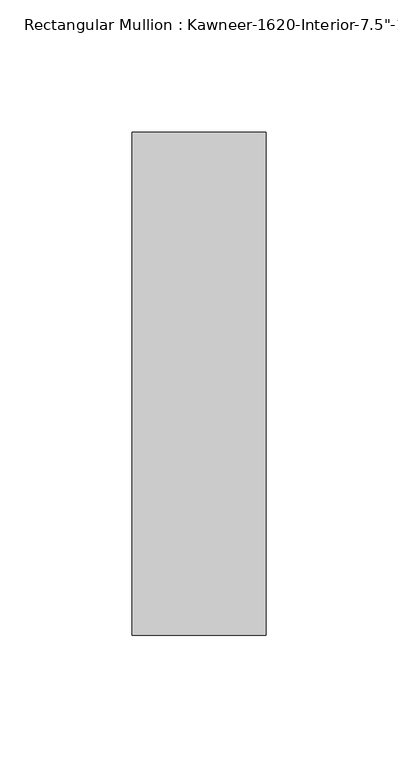
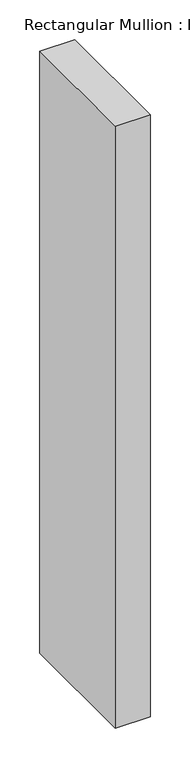
"""IFC4 building model written with IfcOpenShell, lengths in millimetres: member geometry."""

from ifc_helpers import new_model, si_unit, frame, origin, place, context, project, spatial, polyline, outline, extrude, source, transform, mapped, element, save


def member_c21ded6d(model_context):
    return source(origin(), model_context, "Body", "SweptSolid", [
        extrude(outline(polyline([(25.4, -161.925), (-25.4, -161.925), (-25.4, 28.575), (25.4, 28.575), (25.4, -161.925)])), frame((0.0, 0.0, -926.2317631), z_axis=(0.0, 0.0, 1.0), x_axis=(1.0, 0.0, 0.0)), (0.0, 0.0, 1.0), 926.2317631),
    ])


if __name__ == "__main__":
    model = new_model("IFC4")
    model_context = context("Model", 3, world=origin())
    ifc_project = project(units=[si_unit("LENGTHUNIT", "METRE", prefix="MILLI")], contexts=[model_context])
    site = spatial("IfcSite", under=ifc_project)
    building = spatial("IfcBuilding", under=site)
    placement = place(None, origin())
    member_shape = member_c21ded6d(model_context)
    element("IfcMember", 1, ObjectType="Rectangular Mullion : Kawneer-1620-Interior-7.5\"-1/4\"Infill", at=placement, inside=building, context=model_context, shape_type="MappedRepresentation", body=[
        mapped(member_shape, transform((0.0, 0.0, 0.0), x_axis=(1.0, 0.0, 0.0), y_axis=(0.0, 1.0, 0.0), z_axis=(0.0, 0.0, 1.0))),
    ])
    save(model, "model.ifc")
